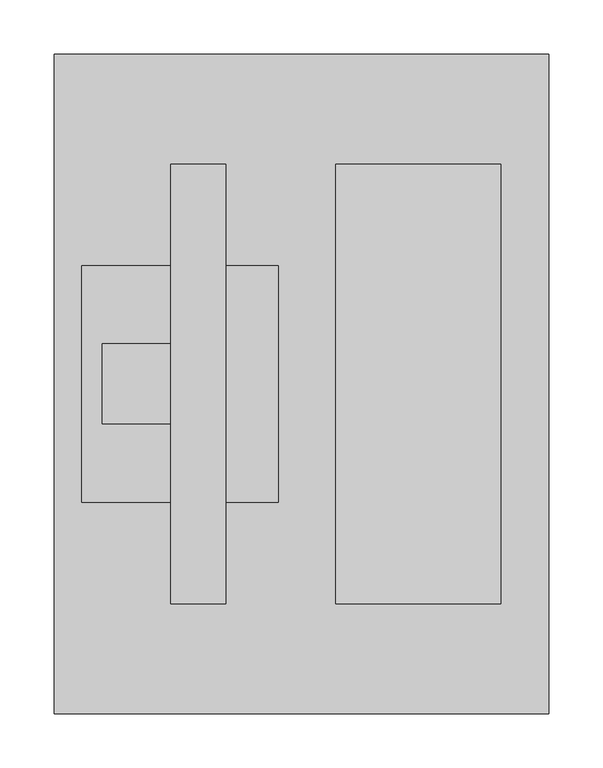
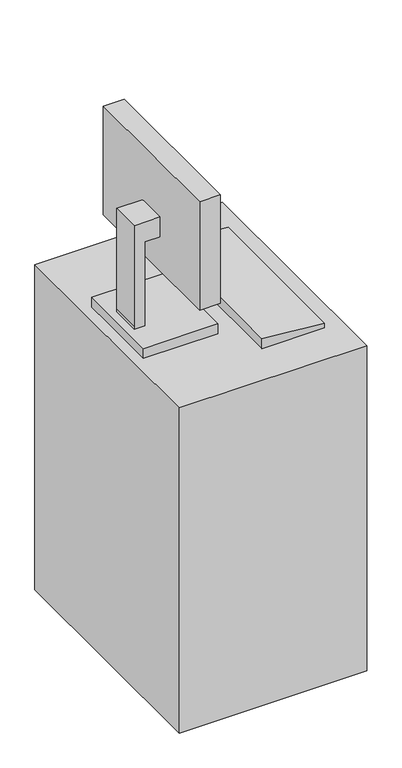
"""IFC4 building model written with IfcOpenShell, lengths in millimetres: proxy geometry."""

from ifc_helpers import new_model, si_unit, frame, origin, place, context, project, spatial, polyline, outline, extrude, faceted_brep, source, transform, mapped, element, save


def specialty_equipment_5c63a113(model_context):
    return source(origin(), model_context, "Body", "SolidModel", [
        faceted_brep([(-120.5656905, -203.2, 1270.0), (-69.9343095, -203.2, 1270.0), (-69.9343095, 203.2, 1270.0), (-120.5656905, 203.2, 1270.0), (-120.5656905, -203.2, 990.6), (-120.5656905, 203.2, 990.6), (-69.9343095, 203.2, 990.6), (-69.9343095, -203.2, 990.6), (-69.9343095, 190.5, 1257.3), (-69.9343095, 190.5, 1003.3), (-69.9343095, -190.5, 1003.3), (-69.9343095, -190.5, 1257.3), (-74.7205119, -190.5, 1257.3), (-74.7205119, 190.5, 1257.3), (-74.7205119, -190.5, 1003.3), (-74.7205119, 190.5, 1003.3)], [[[0, 1, 2, 3]], [[4, 5, 6, 7]], [[3, 5, 4, 0]], [[2, 6, 5, 3]], [[1, 7, 6, 2], [8, 9, 10, 11]], [[0, 4, 7, 1]], [[12, 13, 8, 11]], [[14, 10, 9, 15]], [[12, 14, 15, 13]], [[13, 15, 9, 8]], [[11, 10, 14, 12]]]),
        faceted_brep([(-21.3676261, -109.1218395, 863.6), (-203.2, -109.1218395, 863.6), (-203.2, -109.1218395, 838.2), (-21.3676261, -109.1218395, 838.2), (-203.2, 109.1218395, 863.6), (-21.3676261, 109.1218395, 863.6), (-21.3676261, 109.1218395, 838.2), (-203.2, 109.1218395, 838.2), (-184.0656905, -36.9685686, 869.95), (-184.0656905, 36.9685686, 869.95), (-184.0656905, 36.9685686, 863.6), (-184.0656905, -36.9685686, 863.6), (-184.0656905, -36.9685686, 1130.3), (-184.0656905, 36.9685686, 1130.3), (-120.5656905, -36.9685686, 1130.3), (-120.5656905, 36.9685686, 1130.3), (-120.5656905, -36.9685686, 1079.5), (-120.5656905, 36.9685686, 1079.5), (-158.6656905, -36.9685686, 1079.5), (-158.6656905, 36.9685686, 1079.5), (-158.6656905, -36.9685686, 863.6), (-158.6656905, 36.9685686, 863.6)], [[[0, 1, 2, 3]], [[4, 5, 6, 7]], [[8, 9, 10, 11]], [[12, 13, 9, 8]], [[14, 15, 13, 12]], [[16, 17, 15, 14]], [[18, 19, 17, 16]], [[20, 21, 19, 18]], [[0, 5, 4, 1], [11, 10, 21, 20]], [[3, 6, 5, 0]], [[2, 7, 6, 3]], [[1, 4, 7, 2]], [[20, 18, 16, 14, 12, 8, 11]], [[10, 9, 13, 15, 17, 19, 21]]]),
        extrude(outline(polyline([(838.2, 184.15), (850.9, 184.15), (863.6, 31.75), (838.2, 31.75), (838.2, 184.15)])), frame((0.0, -203.2, 0.0), z_axis=(0.0, 1.0, 0.0), x_axis=(0.0, 0.0, 1.0)), (0.0, 0.0, 1.0), 406.4),
        faceted_brep([(-228.6, -304.8, 838.2), (228.6, -304.8, 838.2), (228.6, 304.8, 838.2), (-228.6, 304.8, 838.2), (-228.6, -304.8, 0.0), (-228.6, 304.8, 0.0), (228.6, 304.8, 0.0), (228.6, -304.8, 0.0), (228.6, -152.4, 711.2), (228.6, 152.4, 711.2), (228.6, 152.4, 508.0), (228.6, -152.4, 508.0), (226.0203125, -152.4, 711.2), (226.0203125, -152.4, 508.0), (226.0203125, 152.4, 508.0), (226.0203125, 152.4, 711.2)], [[[0, 1, 2, 3]], [[4, 5, 6, 7]], [[1, 0, 4, 7]], [[2, 1, 7, 6], [8, 9, 10, 11]], [[3, 2, 6, 5]], [[0, 3, 5, 4]], [[12, 13, 14, 15]], [[12, 15, 9, 8]], [[15, 14, 10, 9]], [[14, 13, 11, 10]], [[13, 12, 8, 11]]]),
    ])


if __name__ == "__main__":
    model = new_model("IFC4")
    model_context = context("Model", 3, world=origin())
    ifc_project = project(units=[si_unit("LENGTHUNIT", "METRE", prefix="MILLI")], contexts=[model_context])
    site = spatial("IfcSite", under=ifc_project)
    building = spatial("IfcBuilding", under=site)
    placement = place(None, origin())
    specialty_equipment_shape = specialty_equipment_5c63a113(model_context)
    element("IfcBuildingElementProxy", 1, Name="Specialty Equipment", at=placement, inside=building, context=model_context, shape_type="MappedRepresentation", body=[
        mapped(specialty_equipment_shape, transform((0.0, 0.0, 0.0), x_axis=(1.0, 0.0, 0.0), y_axis=(0.0, 1.0, 0.0), z_axis=(0.0, 0.0, 1.0))),
    ])
    save(model, "model.ifc")
